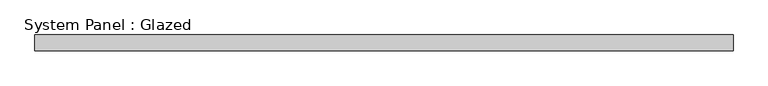
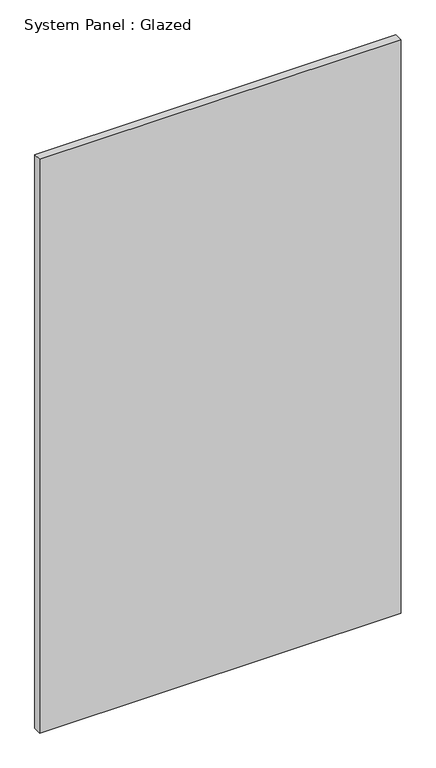
"""IFC4 building model written with IfcOpenShell, lengths in millimetres: plate geometry, System Panel : Glazed."""

from ifc_helpers import new_model, si_unit, origin, origin_with_axes, place, context, project, spatial, polyline, outline, extrude, source, transform, mapped, element, save


def system_panel_glazed_20a3765c(model_context):
    return source(origin(), model_context, "Body", "SweptSolid", [
        extrude(outline(polyline([(561.975, -44.45), (-561.975, -44.45), (-561.975, -19.05), (561.975, -19.05), (561.975, -44.45)])), origin_with_axes(), (0.0, 0.0, 1.0), 1885.95),
    ])


if __name__ == "__main__":
    model = new_model("IFC4")
    model_context = context("Model", 3, world=origin())
    ifc_project = project(units=[si_unit("LENGTHUNIT", "METRE", prefix="MILLI")], contexts=[model_context])
    site = spatial("IfcSite", under=ifc_project)
    building = spatial("IfcBuilding", under=site)
    placement = place(None, origin())
    system_panel_glazed_shape = system_panel_glazed_20a3765c(model_context)
    element("IfcPlate", 1, ObjectType="System Panel : Glazed", at=placement, inside=building, context=model_context, shape_type="MappedRepresentation", body=[
        mapped(system_panel_glazed_shape, transform((0.0, 0.0, 0.0), x_axis=(1.0, 0.0, 0.0), y_axis=(0.0, 1.0, 0.0), z_axis=(0.0, 0.0, 1.0))),
    ])
    save(model, "model.ifc")
